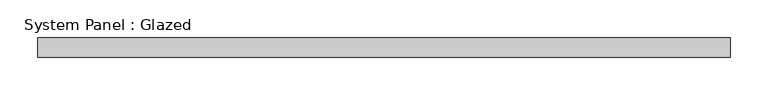
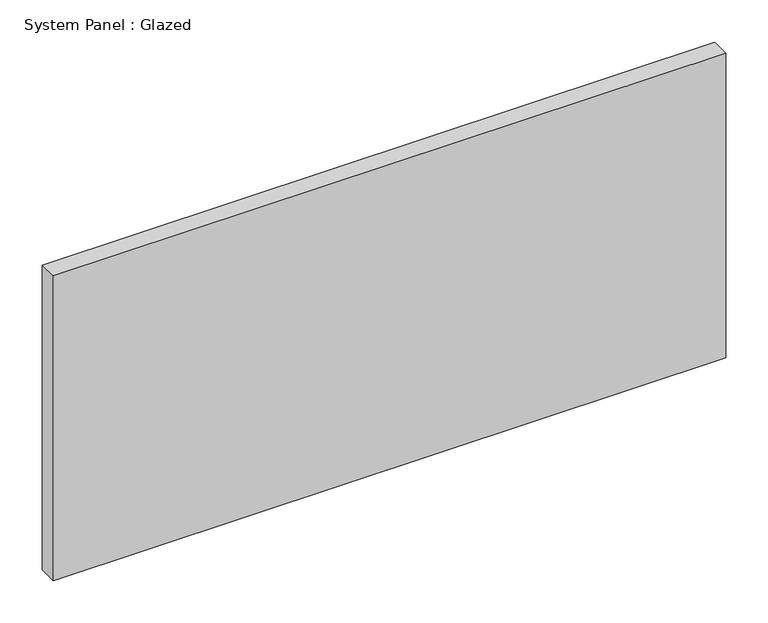
"""IFC4 building model written with IfcOpenShell, lengths in millimetres: plate geometry, System Panel : Glazed."""

from ifc_helpers import new_model, si_unit, origin, origin_with_axes, place, context, project, spatial, polyline, outline, extrude, source, transform, mapped, element, save


def system_panel_glazed_b473f551(model_context):
    return source(origin(), model_context, "Body", "SweptSolid", [
        extrude(outline(polyline([(457.2, 19.05), (-457.2, 19.05), (-457.2, 44.45), (457.2, 44.45), (457.2, 19.05)])), origin_with_axes(), (0.0, 0.0, 1.0), 438.15),
    ])


if __name__ == "__main__":
    model = new_model("IFC4")
    model_context = context("Model", 3, world=origin())
    ifc_project = project(units=[si_unit("LENGTHUNIT", "METRE", prefix="MILLI")], contexts=[model_context])
    site = spatial("IfcSite", under=ifc_project)
    building = spatial("IfcBuilding", under=site)
    placement = place(None, origin())
    system_panel_glazed_shape = system_panel_glazed_b473f551(model_context)
    element("IfcPlate", 1, ObjectType="System Panel : Glazed", at=placement, inside=building, context=model_context, shape_type="MappedRepresentation", body=[
        mapped(system_panel_glazed_shape, transform((0.0, 0.0, 0.0), x_axis=(1.0, 0.0, 0.0), y_axis=(0.0, 1.0, 0.0), z_axis=(0.0, 0.0, 1.0))),
    ])
    save(model, "model.ifc")
